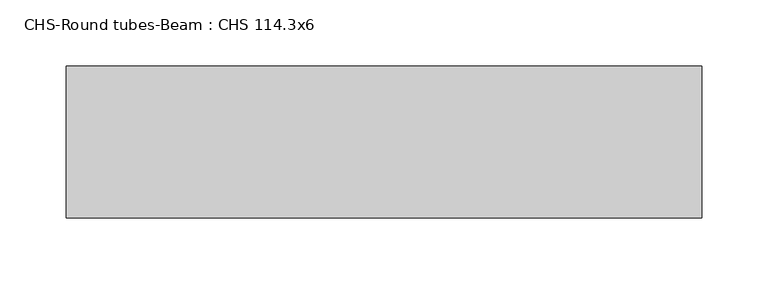
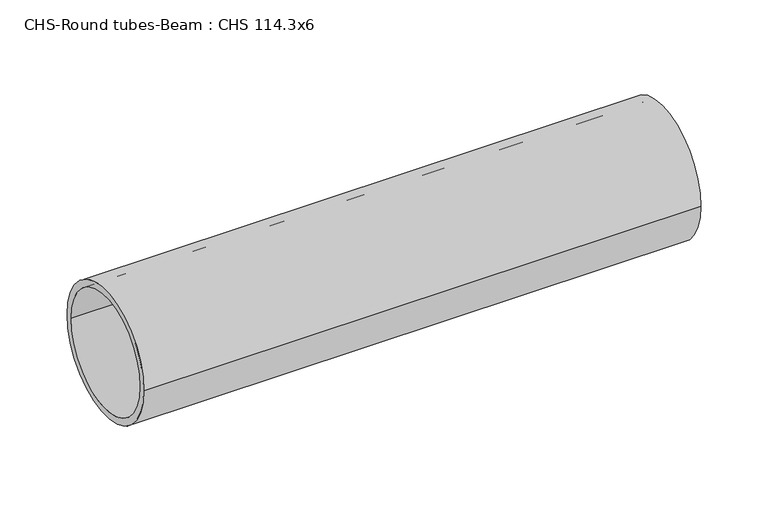
"""IFC4 building model written with IfcOpenShell, lengths in millimetres: beam geometry, CHS-Round tubes-Beam : CHS 114.3x6."""

from ifc_helpers import new_model, si_unit, point, frame, origin, origin_2d, place, context, project, spatial, circle_curve, trimmed, segment, composite_curve, outline, extrude, source, transform, mapped, element, save


def chs_round_tubes_beam_chs_114_3x6_c2bc4055(model_context):
    return source(origin(), model_context, "Body", "SweptSolid", [
        extrude(outline(composite_curve([segment(trimmed(circle_curve(origin_2d(), 57.15), [point((57.15, 0.0))], [point((-57.15, 0.0))], False, "CARTESIAN"), True, "CONTINUOUS"), segment(trimmed(circle_curve(origin_2d(), 57.15), [point((-57.15, 0.0))], [point((57.15, 0.0))], False, "CARTESIAN"), True, "CONTINUOUS")], self_intersect=False), holes=[composite_curve([segment(trimmed(circle_curve(origin_2d(), 51.15), [point((51.15, 0.0))], [point((-51.15, 0.0))], True, "CARTESIAN"), True, "CONTINUOUS"), segment(trimmed(circle_curve(origin_2d(), 51.15), [point((-51.15, 0.0))], [point((51.15, 0.0))], True, "CARTESIAN"), True, "CONTINUOUS")], self_intersect=False)]), frame((71.0782295, 0.0, 0.0), z_axis=(1.0, 0.0, 0.0), x_axis=(0.0, 1.0, 0.0)), (0.0, 0.0, 1.0), 478.850198),
    ])


if __name__ == "__main__":
    model = new_model("IFC4")
    model_context = context("Model", 3, world=origin())
    ifc_project = project(units=[si_unit("LENGTHUNIT", "METRE", prefix="MILLI")], contexts=[model_context])
    site = spatial("IfcSite", under=ifc_project)
    building = spatial("IfcBuilding", under=site)
    placement = place(None, origin())
    chs_round_tubes_beam_chs_114_3x6_shape = chs_round_tubes_beam_chs_114_3x6_c2bc4055(model_context)
    element("IfcBeam", 1, ObjectType="CHS-Round tubes-Beam : CHS 114.3x6", at=placement, inside=building, context=model_context, shape_type="MappedRepresentation", body=[
        mapped(chs_round_tubes_beam_chs_114_3x6_shape, transform((0.0, 0.0, 0.0), x_axis=(1.0, 0.0, 0.0), y_axis=(0.0, 1.0, 0.0), z_axis=(0.0, 0.0, 1.0))),
    ])
    save(model, "model.ifc")
